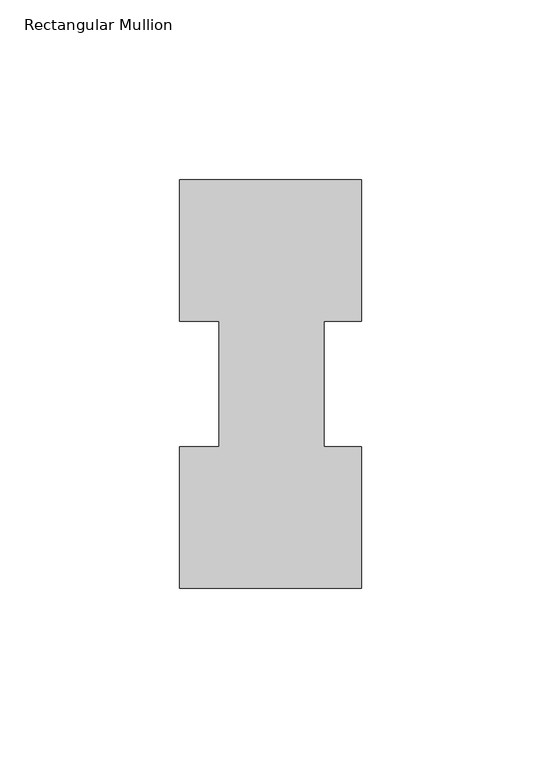
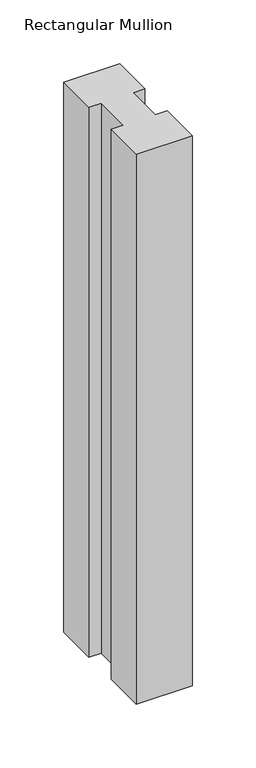
"""IFC4 building model written with IfcOpenShell, lengths in millimetres: member geometry, Rectangular Mullion."""

from ifc_helpers import new_model, si_unit, frame, origin, place, context, project, spatial, polyline, outline, extrude, source, transform, mapped, element, save


def rectangular_mullion_627956c4(model_context):
    return source(origin(), model_context, "Body", "SweptSolid", [
        extrude(outline(polyline([(-50.8, 114.017425), (0.0, 114.017425), (0.0, 74.596625), (-10.5663987, 74.596625), (-10.5663987, 39.620825), (0.0, 39.620825), (0.0, 0.225425), (-50.8, 0.225425), (-50.8, 39.620825), (-39.6875, 39.620825), (-39.6875, 74.596625), (-50.8, 74.596625), (-50.8, 114.017425)])), frame((0.0, 0.0, -527.05), z_axis=(0.0, 0.0, 1.0), x_axis=(1.0, 0.0, 0.0)), (0.0, 0.0, 1.0), 527.05),
    ])


if __name__ == "__main__":
    model = new_model("IFC4")
    model_context = context("Model", 3, world=origin())
    ifc_project = project(units=[si_unit("LENGTHUNIT", "METRE", prefix="MILLI")], contexts=[model_context])
    site = spatial("IfcSite", under=ifc_project)
    building = spatial("IfcBuilding", under=site)
    placement = place(None, origin())
    rectangular_mullion_shape = rectangular_mullion_627956c4(model_context)
    element("IfcMember", 1, ObjectType="Rectangular Mullion", at=placement, inside=building, context=model_context, shape_type="MappedRepresentation", body=[
        mapped(rectangular_mullion_shape, transform((0.0, 0.0, 0.0), x_axis=(1.0, 0.0, 0.0), y_axis=(0.0, 1.0, 0.0), z_axis=(0.0, 0.0, 1.0))),
    ])
    save(model, "model.ifc")
